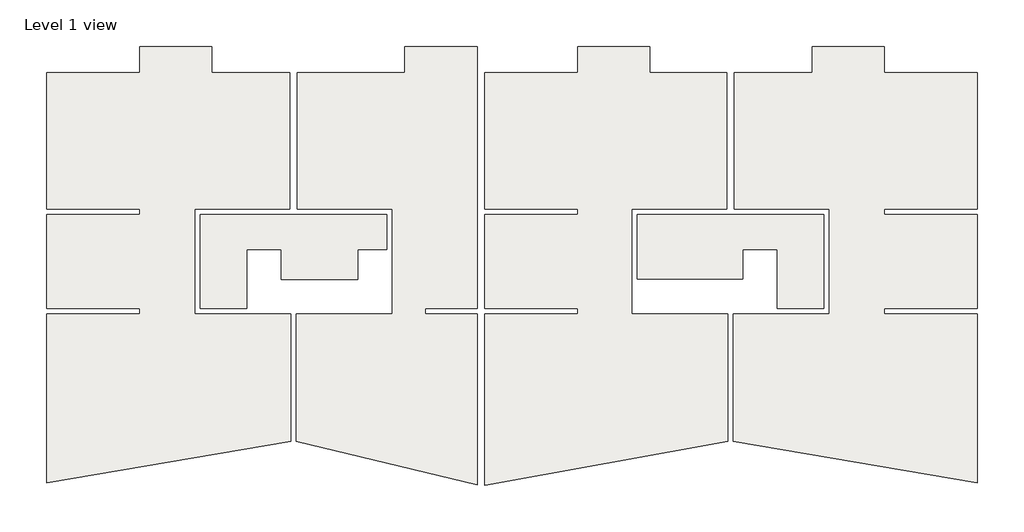
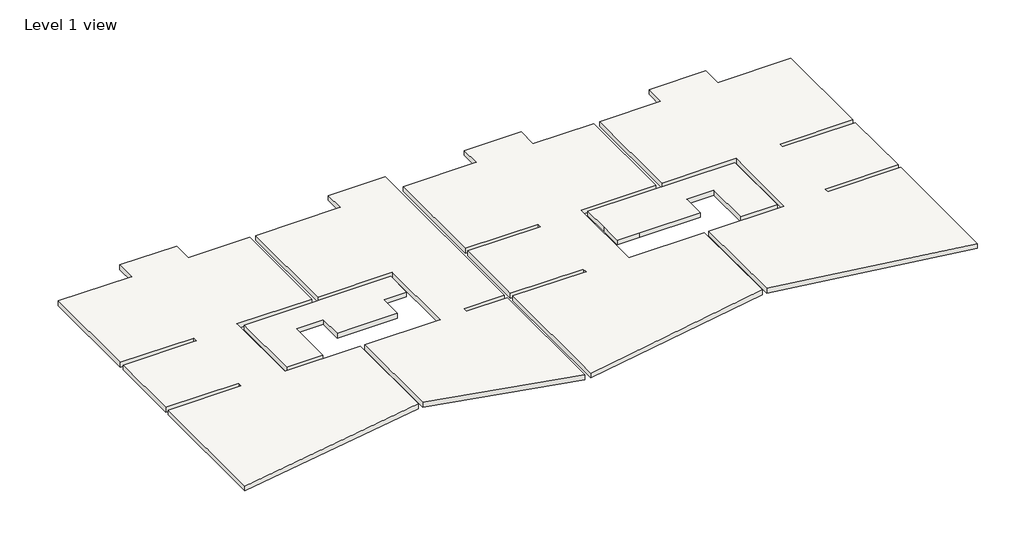
# One storey: 6 slabs.
"""IFC4 building model written with IfcOpenShell, lengths in millimetres."""

from ifc_helpers import new_model, si_unit, frame, origin, place, context, project, spatial, polyline, outline, extrude, element, save

model = new_model("IFC4")

# Units and contexts
model_context = context("Model", 3, world=origin())
ifc_project = project(units=[si_unit("LENGTHUNIT", "METRE", prefix="MILLI")], contexts=[model_context])

# Site, building, storey
site = spatial("IfcSite", under=ifc_project)
building = spatial("IfcBuilding", under=site)
storey = spatial("IfcBuildingStorey", under=building, Name="Level 1 view", Elevation=2960.0)

# Slabs
placement = place(None, origin())
element("IfcSlab", 1, ObjectType="Generic 220mm", at=placement, inside=storey, context=model_context, shape_type="SweptSolid", body=[
    extrude(outline(polyline([(14217.1903209, 10267.190715), (14217.1903209, 4419.8377429), (5767.1903209, 5861.0350662), (5767.1903209, 10267.190715), (9092.1903209, 10267.190715), (9092.1903209, 13917.190715), (5797.1903209, 13917.190715), (5797.1903209, 18647.190715), (8497.1903209, 18647.190715), (8497.1903209, 19547.190715), (10997.1903209, 19547.190715), (10997.1903209, 18647.190715), (14217.1903209, 18647.190715), (14217.1903209, 13917.190715), (10997.1903209, 13917.190715), (10997.1903209, 13717.190715), (14217.1903209, 13717.190715), (14217.1903209, 10467.190715), (10997.1903209, 10467.190715), (10997.1903209, 10267.190715), (14217.1903209, 10267.190715)])), frame((0.0, 0.0, 2740.0), z_axis=(0.0, 0.0, 1.0), x_axis=(1.0, 0.0, 0.0)), (0.0, 0.0, 1.0), 220.0),
])
element("IfcSlab", 2, ObjectType="Generic 220mm", at=placement, inside=storey, context=model_context, shape_type="SweptSolid", body=[
    extrude(outline(polyline([(367.1903209, 18647.190715), (367.1903209, 19547.190715), (2867.1903209, 19547.190715), (2867.1903209, 18647.190715), (5537.1903209, 18647.190715), (5537.1903209, 13917.190715), (2242.1903209, 13917.190715), (2242.1903209, 10267.190715), (5567.1903209, 10267.190715), (5567.1903209, 5860.2303444), (-2852.8096791, 4342.2397444), (-2852.8096791, 10267.190715), (367.1903209, 10267.190715), (367.1903209, 10467.190715), (-2852.8096791, 10467.190715), (-2852.8096791, 13717.190715), (367.1903209, 13717.190715), (367.1903209, 13917.190715), (-2852.8096791, 13917.190715), (-2852.8096791, 18647.190715), (367.1903209, 18647.190715)])), frame((0.0, 0.0, 2740.0), z_axis=(0.0, 0.0, 1.0), x_axis=(1.0, 0.0, 0.0)), (0.0, 0.0, 1.0), 220.0),
])
element("IfcSlab", 3, ObjectType="Generic 220mm", at=placement, inside=storey, context=model_context, shape_type="SweptSolid", body=[
    extrude(outline(polyline([(-9342.8096791, 18647.190715), (-5612.8096791, 18647.190715), (-5612.8096791, 19547.190715), (-3112.8096791, 19547.190715), (-3112.8096791, 10467.190715), (-4912.8096791, 10467.190715), (-4912.8096791, 10267.190715), (-3112.8096791, 10267.190715), (-3112.8096791, 4351.2871064), (-9372.8096791, 5856.0020525), (-9372.8096791, 10267.190715), (-6047.8096791, 10267.190715), (-6047.8096791, 13917.190715), (-9342.8096791, 13917.190715), (-9342.8096791, 18647.190715)])), frame((0.0, 0.0, 2740.0), z_axis=(0.0, 0.0, 1.0), x_axis=(1.0, 0.0, 0.0)), (0.0, 0.0, 1.0), 220.0),
])
element("IfcSlab", 4, ObjectType="Generic 220mm", at=placement, inside=storey, context=model_context, shape_type="SweptSolid", body=[
    extrude(outline(polyline([(-12302.8096791, 18647.190715), (-9602.8096791, 18647.190715), (-9602.8096791, 13917.190715), (-12897.8096791, 13917.190715), (-12897.8096791, 10267.190715), (-9572.8096791, 10267.190715), (-9572.8096791, 5861.5821317), (-18022.8096791, 4420.686178), (-18022.8096791, 10267.190715), (-14802.8096791, 10267.190715), (-14802.8096791, 10467.190715), (-18022.8096791, 10467.190715), (-18022.8096791, 13717.190715), (-14802.8096791, 13717.190715), (-14802.8096791, 13917.190715), (-18022.8096791, 13917.190715), (-18022.8096791, 18647.190715), (-14802.8096791, 18647.190715), (-14802.8096791, 19547.190715), (-12302.8096791, 19547.190715), (-12302.8096791, 18647.190715)])), frame((0.0, 0.0, 2740.0), z_axis=(0.0, 0.0, 1.0), x_axis=(1.0, 0.0, 0.0)), (0.0, 0.0, 1.0), 220.0),
])
element("IfcSlab", 5, ObjectType="Generic 220mm", at=placement, inside=storey, context=model_context, shape_type="SweptSolid", body=[
    extrude(outline(polyline([(-11097.8096791, 12512.190715), (-11097.8096791, 10467.190715), (-12697.8096791, 10467.190715), (-12697.8096791, 13717.190715), (-6247.8096791, 13717.190715), (-6247.8096791, 12512.190715), (-7247.8096791, 12512.190715), (-7247.8096791, 11467.190715), (-9897.8096791, 11467.190715), (-9897.8096791, 12512.190715), (-11097.8096791, 12512.190715)])), frame((0.0, 0.0, 2740.0), z_axis=(0.0, 0.0, 1.0), x_axis=(1.0, 0.0, 0.0)), (0.0, 0.0, 1.0), 220.0),
])
element("IfcSlab", 6, ObjectType="Generic 220mm", at=placement, inside=storey, context=model_context, shape_type="SweptSolid", body=[
    extrude(outline(polyline([(8892.1903209, 13717.190715), (8892.1903209, 10467.190715), (7292.1903209, 10467.190715), (7292.1903209, 12512.190715), (6092.1903209, 12512.190715), (6092.1903209, 11492.190715), (3442.1903209, 11492.190715), (2442.1903209, 11492.190715), (2442.1903209, 12492.190715), (2442.1903209, 13717.190715), (8892.1903209, 13717.190715)])), frame((0.0, 0.0, 2740.0), z_axis=(0.0, 0.0, 1.0), x_axis=(1.0, 0.0, 0.0)), (0.0, 0.0, 1.0), 220.0),
])

save(model, "model.ifc")
